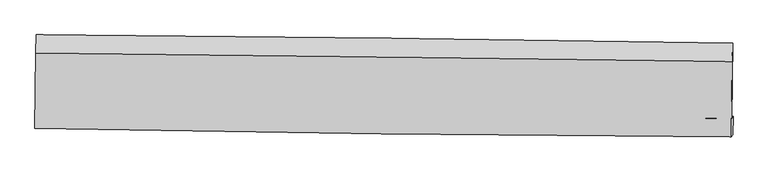
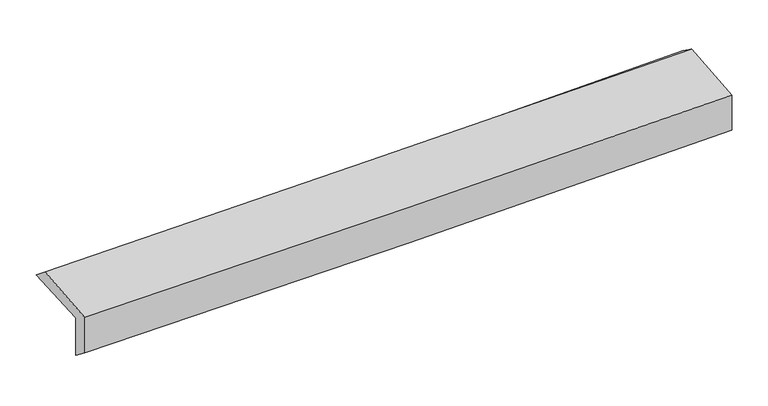
"""IFC4 building model written with IfcOpenShell, lengths in millimetres: proxy geometry."""

from ifc_helpers import new_model, si_unit, frame, origin, place, context, project, spatial, source, transform, mapped, element, save
from ifc_brep_helpers import plane_surface, spline_curve, spline_surface, advanced_brep


def generic_models_70203055(model_context):
    return source(origin(), model_context, "Body", "AdvancedBrep", [
        advanced_brep(
        [(-3017.4565125, -1762.8300839, 1957.9445989), (-3011.0438651, -1106.18809, 1981.3892783), (3003.1925333, -1179.910113, 2142.3053434), (2996.9548295, -1828.0179826, 2119.1677777), (-3007.2363045, -1747.4095971, 1570.5340738), (3007.3098961, -1812.3942824, 1726.6518563), (-3011.9584928, -1898.8269086, 1690.0921312), (3002.7139523, -1973.7236384, 1838.1143219), (-3021.5390596, -1914.4030739, 2052.7944933), (2993.2102029, -1989.1749131, 2197.9085169), (-3016.0405028, -1262.9721329, 2109.3104133), (2998.6265013, -1336.5375393, 2254.5266182)],
        [
            (0, 1),
            (1, 2, spline_curve(3, [(-3011.0438651, -1106.18809, 1981.3892783), (-2008.31988341, -1112.846755253, 1986.832814788), (-1006.040272398, -1122.314784079, 2002.951326116), (998.70614849, -1146.882754275, 2056.567073092), (2001.172003909, -1161.98873298, 2094.087250237), (3003.1925333, -1179.910113, 2142.3053434)], [4, 2, 4], [0.0, 9.86526023147476, 19.741115459431327])),
            (2, 3),
            (3, 0, spline_curve(3, [(2996.9548295, -1828.0179826, 2119.1677777), (1994.259570817, -1814.683572585, 2081.018138694), (991.441937524, -1802.581788342, 2048.503866577), (-1013.362105706, -1780.855131889, 1994.7748918), (-2015.348252941, -1771.227616693, 1973.548104484), (-3017.4565125, -1762.8300839, 1957.9445989)], [4, 2, 4], [0.0, 9.875855227956567, 19.741115459431327])),
            (4, 0),
            (3, 5),
            (5, 4, spline_curve(3, [(3007.3098961, -1812.3942824, 1726.6518563), (2004.773822403, -1798.751640677, 1682.471221693), (1002.024488414, -1786.512776006, 1647.368976658), (-1002.824702366, -1764.854224873, 1595.349184006), (-2004.924102086, -1755.431527736, 1578.41216834), (-3007.2363045, -1747.4095971, 1570.5340738)], [4, 2, 4], [0.0, 9.875851423825484, 19.741107855250302])),
            (6, 4),
            (5, 7),
            (7, 6, spline_curve(3, [(3002.7139523, -1973.7236384, 1838.1143219), (1999.577722118, -1969.019021636, 1809.843471511), (996.517939242, -1960.419880376, 1783.367206119), (-1008.372711542, -1935.445951855, 1734.030324435), (-2010.203744079, -1919.079516554, 1711.165859449), (-3011.9584928, -1898.8269086, 1690.0921312)], [4, 2, 4], [0.0, 9.875754284834121, 19.740913681480045])),
            (8, 6),
            (7, 9),
            (9, 8, spline_curve(3, [(2993.2102029, -1989.1749131, 2197.9085169), (1990.077001013, -1984.465372654, 2169.523016864), (987.012323531, -1975.874189443, 2143.232064854), (-1017.903950279, -1950.94191923, 2094.865215686), (-2019.755693657, -1934.609155788, 2072.784826203), (-3021.5390596, -1914.4030739, 2052.7944933)], [4, 2, 4], [0.0, 9.875750748468596, 19.740906612542872])),
            (10, 8),
            (9, 11),
            (11, 10, spline_curve(3, [(2998.6265013, -1336.5375393, 2254.5266182), (1995.942232029, -1322.479377178, 2226.962124111), (993.108762476, -1309.317035762, 2201.072930298), (-1011.78055909, -1284.797154783, 2152.671121605), (-2013.836090919, -1273.437693922, 2130.154913353), (-3016.0405028, -1262.9721329, 2109.3104133)], [4, 2, 4], [0.0, 9.875601120499065, 19.74060751712741])),
            (1, 10),
            (11, 2),
        ],
        [
            spline_surface(3, 3, [[(-3017.4565125, -1762.8300839, 1957.9445989), (-2015.348253088, -1771.227616749, 1973.548104463), (-1013.362105642, -1780.85513199, 1994.774891857), (991.44193746, -1802.58178824, 2048.50386652), (1994.25957067, -1814.683572503, 2081.018138677), (2996.9548295, -1828.0179826, 2119.1677777)], [(-3015.318963385, -1543.949419279, 1965.759492048), (-2013.005463182, -1551.767329631, 1977.976341307), (-1010.921494593, -1561.3416827, 1997.500369961), (993.863341191, -1584.015443559, 2051.191602015), (1996.563715086, -1597.118626018, 2085.374509157), (2999.034064097, -1611.982026046, 2126.880299583)], [(-3013.181414215, -1325.068754621, 1973.574385152), (-2010.662673222, -1332.307042476, 1982.404578108), (-1008.480883577, -1341.828233429, 2000.225848082), (996.284744889, -1365.449098897, 2053.879337527), (1998.86785951, -1379.553679593, 2089.730879688), (3001.113298703, -1395.946069554, 2134.592821517)], [(-3011.0438651, -1106.18809, 1981.3892783), (-2008.319883316, -1112.846755358, 1986.832814952), (-1006.040272528, -1122.314784138, 2002.951326186), (998.706148621, -1146.882754216, 2056.567073022), (2001.172003925, -1161.988733108, 2094.087250168), (3003.1925333, -1179.910113, 2142.3053434)]], [4, 4], [4, 2, 4], [0.0, 2.156196834970737], [0.0, 9.86526023147476, 19.741115459431327]),
            spline_surface(3, 3, [[(-3007.2363045, -1747.4095971, 1570.5340738), (-2004.924102146, -1755.43152761, 1578.412168495), (-1002.824702416, -1764.854224748, 1595.349184157), (1002.024488464, -1786.512776131, 1647.368976507), (2004.77382224, -1798.751640769, 1682.471221699), (3007.3098961, -1812.3942824, 1726.6518563)], [(-3010.643040484, -1752.549759341, 1699.670915494), (-2008.39881911, -1760.69689063, 1710.124147145), (-1006.337170166, -1770.187860518, 1728.491086702), (998.496971454, -1791.869113523, 1781.080606489), (2001.269071724, -1804.06228469, 1815.320194054), (3003.858207241, -1817.602182476, 1857.490496796)], [(-3014.049776516, -1757.689921659, 1828.807757206), (-2011.873536123, -1765.962253728, 1841.836125813), (-1009.849637891, -1775.521496221, 1861.632989312), (994.96945447, -1797.225450848, 1914.792236538), (1997.764321186, -1809.372928582, 1948.169166322), (3000.406518359, -1822.810082524, 1988.329137204)], [(-3017.4565125, -1762.8300839, 1957.9445989), (-2015.348253088, -1771.227616749, 1973.548104463), (-1013.362105642, -1780.85513199, 1994.774891857), (991.44193746, -1802.58178824, 2048.50386652), (1994.25957067, -1814.683572503, 2081.018138677), (2996.9548295, -1828.0179826, 2119.1677777)]], [4, 4], [4, 2, 4], [0.0, 1.3147684326349576], [0.0, 9.865256431424818, 19.741107855250302]),
            spline_surface(3, 3, [[(-3011.9584928, -1898.8269086, 1690.0921312), (-2010.203744115, -1919.079516664, 1711.165859527), (-1008.372711684, -1935.445951949, 1734.030324389), (996.517939384, -1960.419880283, 1783.367206165), (1999.577722034, -1969.019021631, 1809.843471529), (3002.7139523, -1973.7236384, 1838.1143219)], [(-3010.384430059, -1848.354471438, 1650.239445392), (-2008.443863484, -1864.530186984, 1666.914629175), (-1006.523375269, -1878.582042876, 1687.803277654), (998.353455736, -1902.450845559, 1738.034462955), (2001.309755448, -1912.263228027, 1767.386054898), (3004.245933579, -1919.947186416, 1800.960166679)], [(-3008.810367241, -1797.882034262, 1610.386759608), (-2006.683982777, -1809.98085729, 1622.663398847), (-1004.67403883, -1821.718133821, 1641.576230892), (1000.188972112, -1844.481810854, 1692.701719717), (2003.041788826, -1855.507434373, 1724.928638331), (3005.777914821, -1866.170734384, 1763.806011521)], [(-3007.2363045, -1747.4095971, 1570.5340738), (-2004.924102146, -1755.43152761, 1578.412168495), (-1002.824702416, -1764.854224748, 1595.349184157), (1002.024488464, -1786.512776131, 1647.368976507), (2004.77382224, -1798.751640769, 1682.471221699), (3007.3098961, -1812.3942824, 1726.6518563)]], [4, 4], [4, 2, 4], [0.0, 0.72299778024924], [0.0, 9.865159396645923, 19.740913681480045]),
            spline_surface(3, 3, [[(-3021.5390596, -1914.4030739, 2052.7944933), (-2019.75569367, -1934.609155811, 2072.78482623), (-1017.903950322, -1950.941919072, 2094.865215547), (987.012323573, -1975.874189602, 2143.232064994), (1990.077001036, -1984.465372732, 2169.523016928), (2993.2102029, -1989.1749131, 2197.9085169)], [(-3018.345537323, -1909.211018816, 1931.893705926), (-2016.571710476, -1929.432609445, 1952.245170655), (-1014.726870757, -1945.776596685, 1974.586918514), (990.180862196, -1970.72275315, 2023.27711207), (1993.24390801, -1979.316589027, 2049.629835149), (2996.378119342, -1984.024488195, 2077.977118587)], [(-3015.152015077, -1904.018963684, 1810.992918574), (-2013.38772731, -1924.25606303, 1831.705515102), (-1011.549791249, -1940.611274335, 1854.308621422), (993.349400762, -1965.571316735, 1903.322159088), (1996.410815059, -1974.167805336, 1929.736653308), (2999.546035858, -1978.874063305, 1958.045720213)], [(-3011.9584928, -1898.8269086, 1690.0921312), (-2010.203744115, -1919.079516664, 1711.165859527), (-1008.372711684, -1935.445951949, 1734.030324389), (996.517939384, -1960.419880283, 1783.367206165), (1999.577722034, -1969.019021631, 1809.843471529), (3002.7139523, -1973.7236384, 1838.1143219)]], [4, 4], [4, 2, 4], [0.0, 1.1837502068948462], [0.0, 9.865155864074277, 19.740906612542872]),
            spline_surface(3, 3, [[(-3016.0405028, -1262.9721329, 2109.3104133), (-2013.836090828, -1273.437693905, 2130.154913443), (-1011.780558965, -1284.797154748, 2152.67112146), (993.108762351, -1309.317035798, 2201.072930444), (1995.942231871, -1322.479377106, 2226.962124044), (2998.6265013, -1336.5375393, 2254.5266182)], [(-3017.87335508, -1480.115779897, 2090.471773308), (-2015.809291788, -1493.828181204, 2111.031551046), (-1013.821689423, -1506.845409544, 2133.40248613), (991.076616086, -1531.502753754, 2181.792641935), (1993.987154933, -1543.141375658, 2207.81575498), (2996.821068506, -1554.083330577, 2235.653917741)], [(-3019.70620732, -1697.259426903, 2071.633133292), (-2017.78249271, -1714.218668512, 2091.908188627), (-1015.862819863, -1728.893664276, 2114.133850876), (989.044469839, -1753.688471646, 2162.512353503), (1992.032077975, -1763.803374179, 2188.669385992), (2995.015635694, -1771.629121823, 2216.781217359)], [(-3021.5390596, -1914.4030739, 2052.7944933), (-2019.75569367, -1934.609155811, 2072.78482623), (-1017.903950322, -1950.941919072, 2094.865215547), (987.012323573, -1975.874189602, 2143.232064994), (1990.077001036, -1984.465372732, 2169.523016928), (2993.2102029, -1989.1749131, 2197.9085169)]], [4, 4], [4, 2, 4], [0.0, 2.1944987659214465], [0.0, 9.865006396628344, 19.74060751712741]),
            spline_surface(3, 3, [[(-3011.0438651, -1106.18809, 1981.3892783), (-2008.319883316, -1112.846755358, 1986.832814952), (-1006.040272528, -1122.314784138, 2002.951326186), (998.706148621, -1146.882754216, 2056.567073022), (2001.172003925, -1161.988733108, 2094.087250168), (3003.1925333, -1179.910113, 2142.3053434)], [(-3012.70941097, -1158.449437629, 2024.029656632), (-2010.158619123, -1166.377068203, 2034.606847781), (-1007.953701348, -1176.475574322, 2052.857924635), (996.84035319, -1201.027514724, 2104.735692187), (1999.428746576, -1215.485614429, 2138.378874807), (3001.670522635, -1232.119255089, 2179.712435014)], [(-3014.37495693, -1210.710785271, 2066.670034968), (-2011.997355021, -1219.907381061, 2082.380880614), (-1009.867130145, -1230.636364564, 2102.764523011), (994.974557782, -1255.17227529, 2152.904311279), (1997.685489221, -1268.982495784, 2182.670499405), (3000.148511965, -1284.328397211, 2217.119526586)], [(-3016.0405028, -1262.9721329, 2109.3104133), (-2013.836090828, -1273.437693905, 2130.154913443), (-1011.780558965, -1284.797154748, 2152.67112146), (993.108762351, -1309.317035798, 2201.072930444), (1995.942231871, -1322.479377106, 2226.962124044), (2998.6265013, -1336.5375393, 2254.5266182)]], [4, 4], [4, 2, 4], [0.0, 0.7192914439990962], [0.0, 9.865067032612576, 19.740728854217117]),
            plane_surface(frame((3000.3346526, -1686.6264115, 2046.4457391), z_axis=(0.9996075720331185, -0.010547165642306991, 0.025951093059209254), x_axis=(0.026380895807003167, 0.04289027986253092, -0.9987314314818243))),
            plane_surface(frame((-3014.2124562, -1615.4383144, 1893.6774981), z_axis=(-0.9996062310559964, 0.010688311786171164, -0.025944996149309136), x_axis=(-0.009759136338737344, -0.9993156333577974, -0.03567946446664034))),
        ],
        [
            (0, [[1, 2, 3, 4]]),
            (1, [[5, -4, 6, 7]]),
            (2, [[8, -7, 9, 10]]),
            (3, [[11, -10, 12, 13]]),
            (4, [[14, -13, 15, 16]]),
            (5, [[17, -16, 18, -2]]),
            (6, [[-12, -9, -6, -3, -18, -15]]),
            (7, [[-1, -5, -8, -11, -14, -17]]),
        ],
    ),
    ])


if __name__ == "__main__":
    model = new_model("IFC4")
    model_context = context("Model", 3, world=origin())
    ifc_project = project(units=[si_unit("LENGTHUNIT", "METRE", prefix="MILLI")], contexts=[model_context])
    site = spatial("IfcSite", under=ifc_project)
    building = spatial("IfcBuilding", under=site)
    placement = place(None, origin())
    generic_models_shape = generic_models_70203055(model_context)
    element("IfcBuildingElementProxy", 1, Name="Generic Models", at=placement, inside=building, context=model_context, shape_type="MappedRepresentation", body=[
        mapped(generic_models_shape, transform((0.0, 0.0, 0.0), x_axis=(1.0, 0.0, 0.0), y_axis=(0.0, 1.0, 0.0), z_axis=(0.0, 0.0, 1.0))),
    ])
    save(model, "model.ifc")
